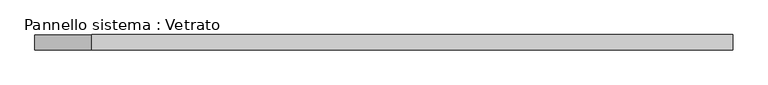
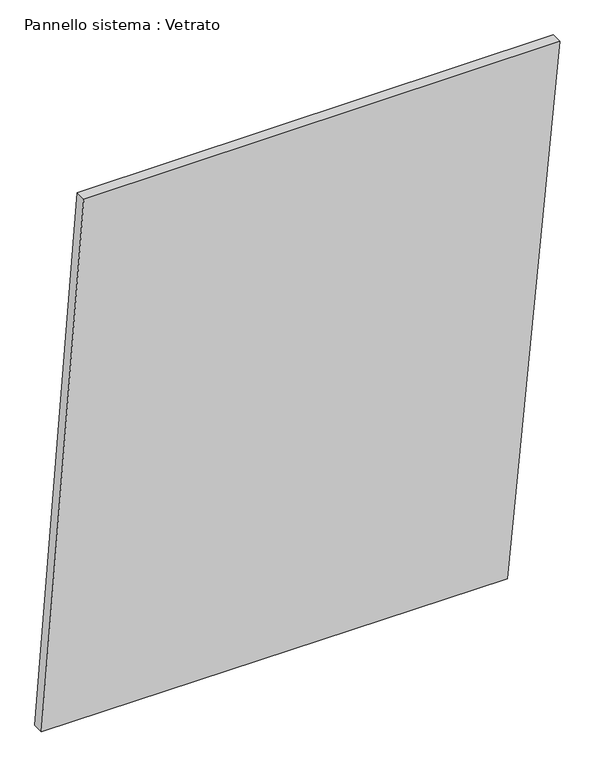
"""IFC4 building model written with IfcOpenShell, lengths in millimetres: plate geometry, Pannello sistema : Vetrato."""

from ifc_helpers import new_model, si_unit, frame, origin, place, context, project, spatial, polyline, outline, extrude, source, transform, mapped, element, save


def pannello_sistema_vetrato_e2126749(model_context):
    return source(origin(), model_context, "Body", "SweptSolid", [
        extrude(outline(polyline([(3.5562637, -691.7137955), (0.0, 551.3115026), (1464.8534745, 691.7137955), (1464.8534745, -578.8045884), (3.5562637, -691.7137955)])), frame((0.0, -15.0, 0.0), z_axis=(0.0, 1.0, 0.0), x_axis=(0.0, 0.0, 1.0)), (0.0, 0.0, 1.0), 30.0),
    ])


if __name__ == "__main__":
    model = new_model("IFC4")
    model_context = context("Model", 3, world=origin())
    ifc_project = project(units=[si_unit("LENGTHUNIT", "METRE", prefix="MILLI")], contexts=[model_context])
    site = spatial("IfcSite", under=ifc_project)
    building = spatial("IfcBuilding", under=site)
    placement = place(None, origin())
    pannello_sistema_vetrato_shape = pannello_sistema_vetrato_e2126749(model_context)
    element("IfcPlate", 1, ObjectType="Pannello sistema : Vetrato", at=placement, inside=building, context=model_context, shape_type="MappedRepresentation", body=[
        mapped(pannello_sistema_vetrato_shape, transform((0.0, 0.0, 0.0), x_axis=(1.0, 0.0, 0.0), y_axis=(0.0, 1.0, 0.0), z_axis=(0.0, 0.0, 1.0))),
    ])
    save(model, "model.ifc")
